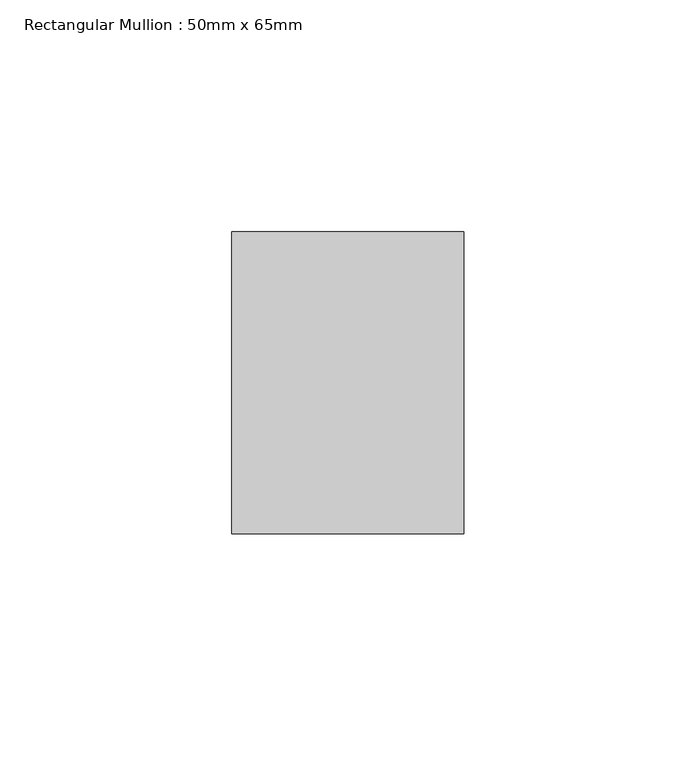
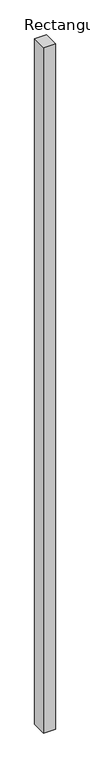
"""IFC4 building model written with IfcOpenShell, lengths in millimetres: member geometry, Rectangular Mullion : 50mm x 65mm."""

from ifc_helpers import new_model, si_unit, frame, origin, place, context, project, spatial, polyline, outline, extrude, source, transform, mapped, element, save


def rectangular_mullion_50mm_x_65mm_d3ffca89(model_context):
    return source(origin(), model_context, "Body", "SweptSolid", [
        extrude(outline(polyline([(25.0, 32.5), (25.0, -32.5), (-25.0, -32.5), (-25.0, 32.5), (25.0, 32.5)])), frame((0.0, 0.0, -3078.7115566), z_axis=(0.0, 0.0, 1.0), x_axis=(1.0, 0.0, 0.0)), (0.0, 0.0, 1.0), 3078.7115566),
    ])


if __name__ == "__main__":
    model = new_model("IFC4")
    model_context = context("Model", 3, world=origin())
    ifc_project = project(units=[si_unit("LENGTHUNIT", "METRE", prefix="MILLI")], contexts=[model_context])
    site = spatial("IfcSite", under=ifc_project)
    building = spatial("IfcBuilding", under=site)
    placement = place(None, origin())
    rectangular_mullion_50mm_x_65mm_shape = rectangular_mullion_50mm_x_65mm_d3ffca89(model_context)
    element("IfcMember", 1, ObjectType="Rectangular Mullion : 50mm x 65mm", at=placement, inside=building, context=model_context, shape_type="MappedRepresentation", body=[
        mapped(rectangular_mullion_50mm_x_65mm_shape, transform((0.0, 0.0, 0.0), x_axis=(1.0, 0.0, 0.0), y_axis=(0.0, 1.0, 0.0), z_axis=(0.0, 0.0, 1.0))),
    ])
    save(model, "model.ifc")
